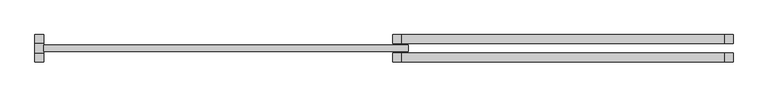
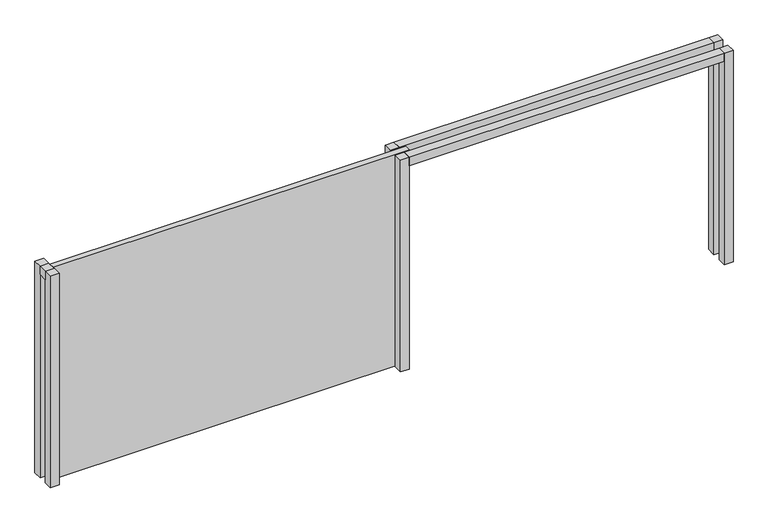
"""IFC4 building model written with IfcOpenShell, lengths in millimetres: proxy geometry."""

import ifcopenshell
import ifcopenshell.guid

model = None  # the IFC model being written
_history = None  # IfcOwnerHistory: only IFC2X3 demands one
_inside = {}  # id of a spatial element -> (the spatial element, [elements in it])
_under = {}  # id of a project, library or spatial element -> (it, [spatial elements below it])
_declared = {}  # id of a project -> (the project, [libraries it declares])
_typed = {}  # id of a type object -> (the type object, [elements of that type])
_made_of = {}  # id of a material, layer set ... -> (it, [elements and type objects made of it])


def new_model(schema):
    """Start an empty IFC model of exactly this schema.

    Asked for "IFC4X3", IfcOpenShell would pick the latest addendum, in which some entities
    have other attributes; the version numbers below select the first issue.
    IFC2X3 requires an IfcOwnerHistory on every rooted entity: one is made here for all.
    """
    global model, _history
    if schema == "IFC4X3":
        model = ifcopenshell.file(schema_version=(4, 3, 0, 0))
    else:
        model = ifcopenshell.file(schema=schema)
    _inside.clear()
    _under.clear()
    _declared.clear()
    _typed.clear()
    _made_of.clear()
    _history = None
    if model.schema == "IFC2X3":
        org = make("IfcOrganization", Name="unknown")
        user = make(
            "IfcPersonAndOrganization",
            ThePerson=make("IfcPerson", FamilyName="unknown"),
            TheOrganization=org,
        )
        app = make(
            "IfcApplication",
            ApplicationDeveloper=org,
            Version="unknown",
            ApplicationFullName="unknown",
            ApplicationIdentifier="unknown",
        )
        _history = make(
            "IfcOwnerHistory",
            OwningUser=user,
            OwningApplication=app,
            ChangeAction="ADDED",
            CreationDate=0,
        )
    return model


def make(cls, **values):
    """One entity of the class cls with the attributes given. An attribute that is None is left unset."""
    return model.create_entity(
        cls, **{name: value for name, value in values.items() if value is not None}
    )


def rooted(cls, **values):
    """An entity with a GlobalId (a new one), such as an element, a storey or a relation."""
    return make(cls, GlobalId=ifcopenshell.guid.new(), OwnerHistory=_history, **values)


def si_unit(unit_type, name, prefix=None):
    """IfcSIUnit, for example si_unit("LENGTHUNIT", "METRE", prefix="MILLI")."""
    return make("IfcSIUnit", UnitType=unit_type, Prefix=prefix, Name=name)


def assignment(units):
    """IfcUnitAssignment: the units of a project."""
    return None if units is None else make("IfcUnitAssignment", Units=units)


def point(xyz):
    """IfcCartesianPoint."""
    return None if xyz is None else make("IfcCartesianPoint", Coordinates=xyz)


def direction(xyz):
    """IfcDirection."""
    return None if xyz is None else make("IfcDirection", DirectionRatios=xyz)


def frame(location, z_axis=None, x_axis=None):
    """IfcAxis2Placement3D, a coordinate frame: its origin and axes. An axis left out is left unset."""
    return make(
        "IfcAxis2Placement3D",
        Location=point(location),
        Axis=direction(z_axis),
        RefDirection=direction(x_axis),
    )


def origin():
    """The frame at (0, 0, 0) with its axes left unset."""
    return frame((0.0, 0.0, 0.0))


def origin_with_axes():
    """The frame at (0, 0, 0) with the z axis (0, 0, 1) and the x axis (1, 0, 0) written out."""
    return frame((0.0, 0.0, 0.0), z_axis=(0.0, 0.0, 1.0), x_axis=(1.0, 0.0, 0.0))


def place(relative_to, where):
    """IfcLocalPlacement: puts the frame where relative to a parent placement (None: the world)."""
    return make(
        "IfcLocalPlacement", PlacementRelTo=relative_to, RelativePlacement=where
    )


def context(
    kind, dimensions, precision=None, world=None, true_north=None, identifier=None
):
    """IfcGeometricRepresentationContext, for example the 3D "Model" context."""
    return make(
        "IfcGeometricRepresentationContext",
        ContextIdentifier=identifier,
        ContextType=kind,
        CoordinateSpaceDimension=dimensions,
        Precision=precision,
        WorldCoordinateSystem=world,
        TrueNorth=true_north,
    )


def project(units=None, contexts=None):
    """IfcProject with its units and contexts."""
    return rooted(
        "IfcProject",
        Name="project",
        RepresentationContexts=contexts,
        UnitsInContext=assignment(units),
    )


def spatial(cls, under=None, at=None, **own):
    """A site, building, storey or space (cls), placed at a placement, below another one or the project."""
    s = rooted(cls, ObjectPlacement=at, **own)
    if under is not None:
        _under.setdefault(under.id(), (under, []))[1].append(s)
    return s


def polyline(points):
    """IfcPolyline through the points."""
    return make("IfcPolyline", Points=[point(p) for p in points])


def outline(outer, holes=None, kind="AREA"):
    """IfcArbitraryClosedProfileDef: a profile drawn as a closed curve; with holes, ...WithVoids."""
    if holes is None:
        return make("IfcArbitraryClosedProfileDef", ProfileType=kind, OuterCurve=outer)
    return make(
        "IfcArbitraryProfileDefWithVoids",
        ProfileType=kind,
        OuterCurve=outer,
        InnerCurves=holes,
    )


def extrude(swept, where, along, depth):
    """IfcExtrudedAreaSolid: the profile swept, set in the frame where, extruded along a direction by depth."""
    return make(
        "IfcExtrudedAreaSolid",
        SweptArea=swept,
        Position=where,
        ExtrudedDirection=direction(along),
        Depth=depth,
    )


def shape(context_of_items, identifier, shape_type, items):
    """IfcShapeRepresentation: the items that make up one representation, for example the "Body"."""
    return make(
        "IfcShapeRepresentation",
        ContextOfItems=context_of_items,
        RepresentationIdentifier=identifier,
        RepresentationType=shape_type,
        Items=items,
    )


def source(mapping_origin, context_of_items, identifier, shape_type, items):
    """IfcRepresentationMap: a shape defined once, which mapped items show again and again."""
    return make(
        "IfcRepresentationMap",
        MappingOrigin=mapping_origin,
        MappedRepresentation=shape(context_of_items, identifier, shape_type, items),
    )


def transform(
    local_origin,
    x_axis=None,
    y_axis=None,
    z_axis=None,
    scale=None,
    scale2=None,
    scale3=None,
    uniform=True,
):
    """IfcCartesianTransformationOperator3D, or its non-uniform kind. x_axis, y_axis, z_axis: its Axis1, 2, 3."""
    if uniform:
        return make(
            "IfcCartesianTransformationOperator3D",
            Axis1=direction(x_axis),
            Axis2=direction(y_axis),
            LocalOrigin=point(local_origin),
            Scale=scale,
            Axis3=direction(z_axis),
        )
    return make(
        "IfcCartesianTransformationOperator3DnonUniform",
        Axis1=direction(x_axis),
        Axis2=direction(y_axis),
        LocalOrigin=point(local_origin),
        Scale=scale,
        Axis3=direction(z_axis),
        Scale2=scale2,
        Scale3=scale3,
    )


def mapped(mapping_source, mapping_target):
    """IfcMappedItem: shows the shape of a source again, moved by a transform."""
    return make(
        "IfcMappedItem", MappingSource=mapping_source, MappingTarget=mapping_target
    )


def made_of(thing, what):
    """Note that an element or type object is made of a material, layer set ...; save() writes the relation."""
    if what is not None:
        _made_of.setdefault(what.id(), (what, []))[1].append(thing)
    return thing


def element(
    cls,
    number,
    at=None,
    inside=None,
    cuts=None,
    type_object=None,
    material=None,
    context=None,
    identifier="Body",
    shape_type=None,
    held_by="IfcProductDefinitionShape",
    body=None,
    shapes=None,
    **own,
):
    """One element of the class cls, such as IfcWall. Its Tag is "e" and its number.

    at: its placement. inside: the storey or other place that contains it. cuts: it is an
    opening in that element (IfcRelVoidsElement). A single representation is given by context,
    identifier, shape_type and body (its items); several are given by shapes. held_by: the class
    of the entity that holds the representations. save() writes the other relations.
    """
    e = rooted(cls, Tag="e%d" % number, ObjectPlacement=at, **own)
    if body is not None:
        shapes = [shape(context, identifier, shape_type, body)]
    if shapes is not None:
        e.Representation = make(held_by, Representations=shapes)
    if inside is not None:
        _inside.setdefault(inside.id(), (inside, []))[1].append(e)
    if cuts is not None:
        rooted(
            "IfcRelVoidsElement", RelatingBuildingElement=cuts, RelatedOpeningElement=e
        )
    if type_object is not None:
        _typed.setdefault(type_object.id(), (type_object, []))[1].append(e)
    return made_of(e, material)


def aggregate(whole, parts):
    """IfcRelAggregates: a whole, such as a stair, and the parts it consists of."""
    return rooted("IfcRelAggregates", RelatingObject=whole, RelatedObjects=parts)


def save(model, path):
    """Write the relations noted so far, then the file.

    IfcRelAggregates (storeys below a building ...), IfcRelContainedInSpatialStructure (elements
    in a storey), IfcRelDefinesByType, IfcRelAssociatesMaterial and IfcRelDeclares: one each for
    every whole, place, type object, material and project.
    """
    for whole, parts in _under.values():
        aggregate(whole, parts)
    for where, things in _inside.values():
        rooted(
            "IfcRelContainedInSpatialStructure",
            RelatedElements=things,
            RelatingStructure=where,
        )
    for kind, things in _typed.values():
        rooted("IfcRelDefinesByType", RelatedObjects=things, RelatingType=kind)
    for what, things in _made_of.values():
        rooted("IfcRelAssociatesMaterial", RelatedObjects=things, RelatingMaterial=what)
    for by, libraries in _declared.values():
        rooted("IfcRelDeclares", RelatingContext=by, RelatedDefinitions=libraries)
    model.write(path)


def generic_models_1a1cddf7(model_context):
    return source(origin(), model_context, "Body", "SweptSolid", [
        extrude(outline(polyline([(4640.0, -60.0), (8905.9370719, -60.0), (8905.9370719, -180.0), (4640.0, -180.0), (4640.0, -60.0)])), frame((0.0, 0.0, 2910.0), z_axis=(0.0, 0.0, 1.0), x_axis=(1.0, 0.0, 0.0)), (0.0, 0.0, 1.0), 120.0),
        extrude(outline(polyline([(4640.0, 180.0), (8905.9370719, 180.0), (8905.9370719, 60.0), (4640.0, 60.0), (4640.0, 180.0)])), frame((0.0, 0.0, 2910.0), z_axis=(0.0, 0.0, 1.0), x_axis=(1.0, 0.0, 0.0)), (0.0, 0.0, 1.0), 120.0),
        extrude(outline(polyline([(9025.9370719, -60.0), (9025.9370719, -180.0), (8905.9370719, -180.0), (8905.9370719, -60.0), (9025.9370719, -60.0)])), origin_with_axes(), (0.0, 0.0, 1.0), 3030.0),
        extrude(outline(polyline([(9025.9370719, 180.0), (9025.9370719, 60.0), (8905.9370719, 60.0), (8905.9370719, 180.0), (9025.9370719, 180.0)])), origin_with_axes(), (0.0, 0.0, 1.0), 3030.0),
        extrude(outline(polyline([(4640.0, -60.0), (4640.0, -180.0), (4520.0, -180.0), (4520.0, -60.0), (4640.0, -60.0)])), origin_with_axes(), (0.0, 0.0, 1.0), 3030.0),
        extrude(outline(polyline([(4640.0, 180.0), (4640.0, 60.0), (4520.0, 60.0), (4520.0, 180.0), (4640.0, 180.0)])), origin_with_axes(), (0.0, 0.0, 1.0), 3030.0),
        extrude(outline(polyline([(4720.0, 40.0), (4720.0, -40.0), (-101.8974675, -40.0), (-101.8974675, 40.0), (4720.0, 40.0)])), origin_with_axes(), (0.0, 0.0, 1.0), 3030.0),
        extrude(outline(polyline([(-101.8974675, -60.0), (-221.8974675, -60.0), (-221.8974675, 60.0), (-101.8974675, 60.0), (-101.8974675, -60.0)])), frame((0.0, 0.0, 2910.0), z_axis=(0.0, 0.0, 1.0), x_axis=(1.0, 0.0, 0.0)), (0.0, 0.0, 1.0), 120.0),
        extrude(outline(polyline([(-101.8974675, -60.0), (-101.8974675, -180.0), (-221.8974675, -180.0), (-221.8974675, -60.0), (-101.8974675, -60.0)])), origin_with_axes(), (0.0, 0.0, 1.0), 3030.0),
        extrude(outline(polyline([(-101.8974675, 180.0), (-101.8974675, 60.0), (-221.8974675, 60.0), (-221.8974675, 180.0), (-101.8974675, 180.0)])), origin_with_axes(), (0.0, 0.0, 1.0), 3030.0),
    ])


if __name__ == "__main__":
    model = new_model("IFC4")
    model_context = context("Model", 3, world=origin())
    ifc_project = project(units=[si_unit("LENGTHUNIT", "METRE", prefix="MILLI")], contexts=[model_context])
    site = spatial("IfcSite", under=ifc_project)
    building = spatial("IfcBuilding", under=site)
    placement = place(None, origin())
    generic_models_shape = generic_models_1a1cddf7(model_context)
    element("IfcBuildingElementProxy", 1, Name="Generic Models", at=placement, inside=building, context=model_context, shape_type="MappedRepresentation", body=[
        mapped(generic_models_shape, transform((0.0, 0.0, 0.0), x_axis=(1.0, 0.0, 0.0), y_axis=(0.0, 1.0, 0.0), z_axis=(0.0, 0.0, 1.0))),
    ])
    save(model, "model.ifc")
